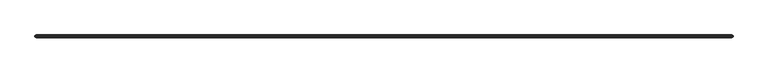
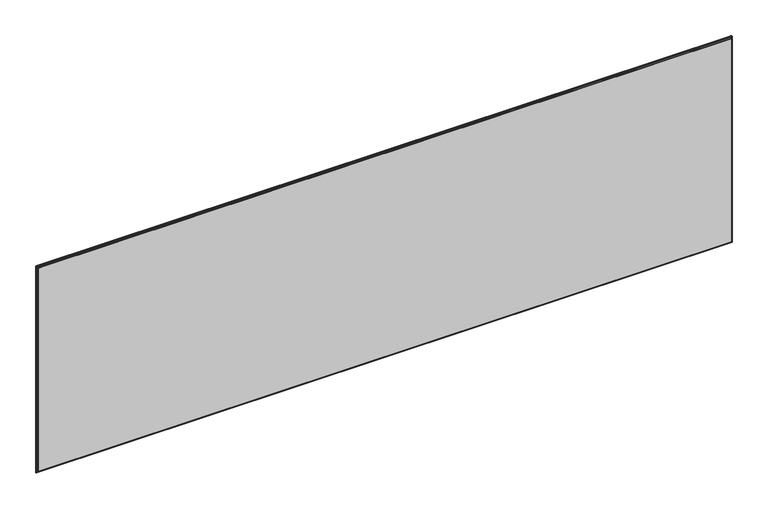
"""IFC4 building model written with IfcOpenShell, lengths in millimetres: furniture geometry."""

from ifc_helpers import new_model, si_unit, frame, origin, place, context, project, spatial, polyline, ellipse_curve, outline, extrude, source, transform, mapped, element, save
from ifc_brep_helpers import plane_surface, cylinder_surface, advanced_brep


def furniture_70c2c3eb(model_context):
    return source(origin(), model_context, "Body", "SolidModel", [
        advanced_brep(
        [(6.4770433, -35.9608478, 1032.2812429), (6.4770433, -42.3108478, 1032.2812429), (6.4770433, -42.3108478, 516.5241915), (6.4770433, -35.9608478, 516.5241915), (2.4130433, -39.7153692, 1034.3609291), (2.4130433, -38.5563263, 1034.3609291), (2.4130433, -38.5563263, 514.4445054), (2.4130433, -39.7153692, 514.4445054), (1669.9229567, -42.3108478, 516.5241915), (1669.9229567, -35.9608478, 516.5241915), (1672.0914783, -38.5563263, 512.4601915), (1672.0914783, -39.7153692, 512.4601915), (4.3085217, -39.7153692, 512.4601915), (4.3085217, -38.5563263, 512.4601915), (1669.9229567, -42.3108478, 1032.2812429), (1669.9229567, -35.9608478, 1032.2812429), (1673.9869567, -38.5563263, 1034.3609291), (1673.9869567, -39.7153692, 1034.3609291), (1673.9869567, -39.7153692, 514.4445054), (1673.9869567, -38.5563263, 514.4445054), (5.6165215, -42.3108478, 515.6636697), (1670.7834785, -42.3108478, 515.6636697), (1670.7834785, -42.3108478, 1033.1417647), (5.6165215, -42.3108478, 1033.1417647), (5.6165215, -35.9608478, 1033.1417647), (1670.7834785, -35.9608478, 1033.1417647), (1670.7834785, -35.9608478, 515.6636697), (5.6165215, -35.9608478, 515.6636697), (4.3085217, -38.5563263, 1036.3452429), (4.3085217, -39.7153692, 1036.3452429), (1672.0914783, -39.7153692, 1036.3452429), (1672.0914783, -38.5563263, 1036.3452429), (3.3646603, -37.0109079, 513.4118086), (3.3646603, -37.0109079, 1035.3936259), (2.9938046, -37.6131746, 513.0409528), (2.9938046, -37.6131746, 1035.7644816), (3.3646603, -41.2607877, 513.4118086), (3.3646603, -41.2607877, 1035.3936259), (2.9938046, -40.6585209, 1035.7644816), (2.9938046, -40.6585209, 513.0409528), (1673.0353397, -37.0109079, 513.4118086), (1673.4061954, -37.6131746, 513.0409528), (1673.0353397, -41.2607877, 513.4118086), (1673.4061954, -40.6585209, 513.0409528), (1673.0353397, -37.0109079, 1035.3936259), (1673.4061954, -37.6131746, 1035.7644816), (1673.0353397, -41.2607877, 1035.3936259), (1673.4061954, -40.6585209, 1035.7644816)],
        [
            (0, 1),
            (1, 2),
            (2, 3),
            (3, 0),
            (4, 5),
            (5, 6),
            (6, 7),
            (7, 4),
            (2, 8),
            (8, 9),
            (9, 3),
            (10, 11),
            (11, 12),
            (12, 13),
            (13, 10),
            (8, 14),
            (14, 15),
            (15, 9),
            (16, 17),
            (17, 18),
            (18, 19),
            (19, 16),
            (20, 21),
            (21, 22),
            (22, 23),
            (23, 20),
            (1, 14),
            (0, 15),
            (24, 25),
            (25, 26),
            (26, 27),
            (27, 24),
            (28, 29),
            (29, 30),
            (30, 31),
            (31, 28),
            (27, 32),
            (32, 33),
            (33, 24),
            (32, 34),
            (34, 6, ellipse_curve(frame((4.3994389, -35.3304359, 514.4445054), z_axis=(-0.8515131025137694, 0.5243333255166744, 0.0), x_axis=(0.5243333255166744, 0.8515131025137693, 0.0)), 3.7884214, 1.9863956)),
            (5, 35, ellipse_curve(frame((4.3994389, -35.3304359, 1034.3609291), z_axis=(-0.8515131025137694, 0.5243333255166744, 0.0), x_axis=(0.5243333255166744, 0.8515131025137693, 0.0)), 3.7884214, 1.9863956)),
            (35, 33),
            (36, 37),
            (37, 38),
            (38, 4, ellipse_curve(frame((4.3994389, -42.9412597, 1034.3609291), z_axis=(-0.8515131025143394, -0.5243333255157487, 0.0), x_axis=(-0.5243333255157487, 0.8515131025143393, 0.0)), 3.7884214, 1.9863956)),
            (7, 39, ellipse_curve(frame((4.3994389, -42.9412597, 514.4445054), z_axis=(-0.8515131025143394, -0.5243333255157487, 0.0), x_axis=(-0.5243333255157487, 0.8515131025143393, 0.0)), 3.7884214, 1.9863956)),
            (39, 36),
            (23, 37),
            (36, 20),
            (26, 40),
            (40, 32),
            (40, 41),
            (41, 10, ellipse_curve(frame((1672.0005611, -35.3338166, 514.4445054), z_axis=(0.0, 0.5243333255167165, -0.8515131025137436), x_axis=(0.0, 0.8515131025137436, 0.5243333255167166)), 3.7884214, 1.9863956)),
            (13, 34, ellipse_curve(frame((4.3994389, -35.3338166, 514.4445054), z_axis=(0.0, 0.5243333255167165, -0.8515131025137436), x_axis=(0.0, 0.8515131025137436, 0.5243333255167166)), 3.7884214, 1.9863956)),
            (42, 36),
            (39, 12, ellipse_curve(frame((4.3994389, -42.937879, 514.4445054), z_axis=(0.0, -0.5243333255157067, -0.8515131025143653), x_axis=(0.0, 0.8515131025143653, -0.5243333255157067)), 3.7884214, 1.9863956)),
            (11, 43, ellipse_curve(frame((1672.0005611, -42.937879, 514.4445054), z_axis=(0.0, -0.5243333255157067, -0.8515131025143653), x_axis=(0.0, 0.8515131025143653, -0.5243333255157067)), 3.7884214, 1.9863956)),
            (43, 42),
            (42, 21),
            (25, 44),
            (44, 40),
            (44, 45),
            (45, 16, ellipse_curve(frame((1672.0005611, -35.3304359, 1034.3609291), z_axis=(0.8515131025137694, 0.5243333255166744, 0.0), x_axis=(-0.5243333255166744, 0.8515131025137693, 0.0)), 3.7884214, 1.9863956)),
            (19, 41, ellipse_curve(frame((1672.0005611, -35.3304359, 514.4445054), z_axis=(0.8515131025137694, 0.5243333255166744, 0.0), x_axis=(-0.5243333255166744, 0.8515131025137693, 0.0)), 3.7884214, 1.9863956)),
            (46, 42),
            (43, 18, ellipse_curve(frame((1672.0005611, -42.9412597, 514.4445054), z_axis=(0.8515131025143394, -0.5243333255157487, 0.0), x_axis=(0.5243333255157487, 0.8515131025143393, 0.0)), 3.7884214, 1.9863956)),
            (17, 47, ellipse_curve(frame((1672.0005611, -42.9412597, 1034.3609291), z_axis=(0.8515131025143394, -0.5243333255157487, 0.0), x_axis=(0.5243333255157487, 0.8515131025143393, 0.0)), 3.7884214, 1.9863956)),
            (47, 46),
            (46, 22),
            (33, 44),
            (35, 28, ellipse_curve(frame((4.3994389, -35.3338166, 1034.3609291), z_axis=(0.0, 0.5243333255166324, 0.8515131025137953), x_axis=(0.0, 0.8515131025137953, -0.5243333255166324)), 3.7884214, 1.9863956)),
            (31, 45, ellipse_curve(frame((1672.0005611, -35.3338166, 1034.3609291), z_axis=(0.0, 0.5243333255166324, 0.8515131025137953), x_axis=(0.0, 0.8515131025137953, -0.5243333255166324)), 3.7884214, 1.9863956)),
            (37, 46),
            (47, 30, ellipse_curve(frame((1672.0005611, -42.937879, 1034.3609291), z_axis=(0.0, -0.5243333255157908, 0.8515131025143136), x_axis=(0.0, 0.8515131025143136, 0.5243333255157908)), 3.7884214, 1.9863956)),
            (29, 38, ellipse_curve(frame((4.3994389, -42.937879, 1034.3609291), z_axis=(0.0, -0.5243333255157908, 0.8515131025143136), x_axis=(0.0, 0.8515131025143136, 0.5243333255157908)), 3.7884214, 1.9863956)),
        ],
        [
            plane_surface(frame((6.4770433, -42.3108478, 1032.2812429), z_axis=(1.0, 0.0, 0.0), x_axis=(0.0, 0.0, -1.0))),
            plane_surface(frame((2.4130433, -38.5563263, 1036.3452429), z_axis=(-1.0, 0.0, 0.0), x_axis=(0.0, 0.0, -1.0))),
            plane_surface(frame((6.4770433, -42.3108478, 516.5241915), z_axis=(0.0, 0.0, 1.0), x_axis=(1.0, 0.0, 0.0))),
            plane_surface(frame((2.4130433, -38.5563263, 512.4601915), z_axis=(0.0, 0.0, -1.0), x_axis=(1.0, 0.0, 0.0))),
            plane_surface(frame((1669.9229567, -42.3108478, 516.5241915), z_axis=(-1.0, 0.0, 0.0), x_axis=(0.0, 0.0, 1.0))),
            plane_surface(frame((1673.9869567, -38.5563263, 512.4601915), z_axis=(1.0, 0.0, 0.0), x_axis=(0.0, 0.0, 1.0))),
            plane_surface(frame((1670.7834785, -42.3108478, 1033.1417647), z_axis=(0.0, -1.0, 0.0), x_axis=(-1.0, 0.0, 0.0))),
            plane_surface(frame((1669.9229567, -42.3108478, 1032.2812429), z_axis=(0.0, 0.0, -1.0), x_axis=(-1.0, 0.0, 0.0))),
            plane_surface(frame((1669.9229567, -35.9608478, 1032.2812429), z_axis=(0.0, 1.0, 0.0), x_axis=(-1.0, 0.0, 0.0))),
            plane_surface(frame((1673.9869567, -38.5563263, 1036.3452429), z_axis=(0.0, 0.0, 1.0), x_axis=(-1.0, 0.0, 0.0))),
            plane_surface(frame((5.6165215, -35.9608478, 1033.1417647), z_axis=(-0.4226182617407205, 0.9063077870366402, 0.0), x_axis=(0.0, 0.0, -1.0))),
            plane_surface(frame((3.3646603, -37.0109079, 1035.3936259), z_axis=(-0.8515131025137694, 0.5243333255166744, 0.0), x_axis=(0.0, 0.0, -1.0))),
            plane_surface(frame((2.4130433, -39.7153692, 1036.3452429), z_axis=(-0.8515131025143394, -0.5243333255157487, 0.0), x_axis=(0.0, 0.0, -1.0))),
            plane_surface(frame((3.3646603, -41.2607877, 1035.3936259), z_axis=(-0.42261826174118133, -0.9063077870364253, 0.0), x_axis=(0.0, 0.0, -1.0))),
            plane_surface(frame((5.6165215, -35.9608478, 515.6636697), z_axis=(0.0, 0.906307787036661, -0.42261826174067574), x_axis=(1.0, 0.0, 0.0))),
            plane_surface(frame((3.3646603, -37.0109079, 513.4118086), z_axis=(0.0, 0.5243333255167165, -0.8515131025137436), x_axis=(1.0, 0.0, 0.0))),
            plane_surface(frame((2.4130433, -39.7153692, 512.4601915), z_axis=(0.0, -0.5243333255157067, -0.8515131025143653), x_axis=(1.0, 0.0, 0.0))),
            plane_surface(frame((3.3646603, -41.2607877, 513.4118086), z_axis=(0.0, -0.9063077870364045, -0.4226182617412261), x_axis=(1.0, 0.0, 0.0))),
            plane_surface(frame((1670.7834785, -35.9608478, 515.6636697), z_axis=(0.4226182617407205, 0.9063077870366402, 0.0), x_axis=(0.0, 0.0, 1.0))),
            plane_surface(frame((1673.0353397, -37.0109079, 513.4118086), z_axis=(0.8515131025137694, 0.5243333255166744, 0.0), x_axis=(0.0, 0.0, 1.0))),
            plane_surface(frame((1673.9869567, -39.7153692, 512.4601915), z_axis=(0.8515131025143394, -0.5243333255157487, 0.0), x_axis=(0.0, 0.0, 1.0))),
            plane_surface(frame((1673.0353397, -41.2607877, 513.4118086), z_axis=(0.42261826174118133, -0.9063077870364253, 0.0), x_axis=(0.0, 0.0, 1.0))),
            plane_surface(frame((1670.7834785, -35.9608478, 1033.1417647), z_axis=(0.0, 0.9063077870366193, 0.4226182617407652), x_axis=(-1.0, 0.0, 0.0))),
            plane_surface(frame((1673.0353397, -37.0109079, 1035.3936259), z_axis=(0.0, 0.5243333255166324, 0.8515131025137953), x_axis=(-1.0, 0.0, 0.0))),
            plane_surface(frame((1673.9869567, -39.7153692, 1036.3452429), z_axis=(0.0, -0.5243333255157908, 0.8515131025143136), x_axis=(-1.0, 0.0, 0.0))),
            plane_surface(frame((1673.0353397, -41.2607877, 1035.3936259), z_axis=(0.0, -0.9063077870364462, 0.4226182617411366), x_axis=(-1.0, 0.0, 0.0))),
            cylinder_surface(frame((4.3994389, -30.0426452, 1034.3609291), z_axis=(0.0, 1.0, 0.0), x_axis=(1.0, 0.0, 0.0)), 1.9863956),
            cylinder_surface(frame((1672.0005611, -30.0426452, 1034.3609291), z_axis=(0.0, 1.0, 0.0), x_axis=(-1.0, 0.0, 0.0)), 1.9863956),
            cylinder_surface(frame((1672.0005611, -30.0426452, 514.4445054), z_axis=(0.0, 1.0, 0.0), x_axis=(-1.0, 0.0, 0.0)), 1.9863956),
            cylinder_surface(frame((4.3994389, -30.0426452, 514.4445054), z_axis=(0.0, 1.0, 0.0), x_axis=(1.0, 0.0, 0.0)), 1.9863956),
        ],
        [
            (0, [[1, 2, 3, 4]]),
            (1, [[5, 6, 7, 8]]),
            (2, [[-3, 9, 10, 11]]),
            (3, [[12, 13, 14, 15]]),
            (4, [[-10, 16, 17, 18]]),
            (5, [[19, 20, 21, 22]]),
            (6, [[23, 24, 25, 26], [-2, 27, -16, -9]]),
            (7, [[-1, 28, -17, -27]]),
            (8, [[29, 30, 31, 32], [-4, -11, -18, -28]]),
            (9, [[33, 34, 35, 36]]),
            (10, [[-32, 37, 38, 39]]),
            (11, [[-38, 40, 41, -6, 42, 43]]),
            (12, [[44, 45, 46, -8, 47, 48]]),
            (13, [[-26, 49, -44, 50]]),
            (14, [[-31, 51, 52, -37]]),
            (15, [[-52, 53, 54, -15, 55, -40]]),
            (16, [[56, -48, 57, -13, 58, 59]]),
            (17, [[-23, -50, -56, 60]]),
            (18, [[-30, 61, 62, -51]]),
            (19, [[-62, 63, 64, -22, 65, -53]]),
            (20, [[66, -59, 67, -20, 68, 69]]),
            (21, [[-24, -60, -66, 70]]),
            (22, [[-29, -39, 71, -61]]),
            (23, [[-71, -43, 72, -36, 73, -63]]),
            (24, [[74, -69, 75, -34, 76, -45]]),
            (25, [[-25, -70, -74, -49]]),
            (26, [[-5, -46, -76, -33, -72, -42]]),
            (27, [[-19, -64, -73, -35, -75, -68]]),
            (28, [[-12, -54, -65, -21, -67, -58]]),
            (29, [[-7, -41, -55, -14, -57, -47]]),
        ],
    ),
        extrude(outline(polyline([(1669.9229567, -42.3108478), (6.4770433, -42.3108478), (6.4770433, -35.9608478), (1669.9229567, -35.9608478), (1669.9229567, -42.3108478)])), frame((0.0, 0.0, 516.5241915), z_axis=(0.0, 0.0, 1.0), x_axis=(1.0, 0.0, 0.0)), (0.0, 0.0, 1.0), 515.7570514),
    ])


if __name__ == "__main__":
    model = new_model("IFC4")
    model_context = context("Model", 3, world=origin())
    ifc_project = project(units=[si_unit("LENGTHUNIT", "METRE", prefix="MILLI")], contexts=[model_context])
    site = spatial("IfcSite", under=ifc_project)
    building = spatial("IfcBuilding", under=site)
    placement = place(None, origin())
    furniture_shape = furniture_70c2c3eb(model_context)
    element("IfcFurniture", 1, at=placement, inside=building, context=model_context, shape_type="MappedRepresentation", body=[
        mapped(furniture_shape, transform((0.0, 0.0, 0.0), x_axis=(1.0, 0.0, 0.0), y_axis=(0.0, 1.0, 0.0), z_axis=(0.0, 0.0, 1.0))),
    ])
    save(model, "model.ifc")
